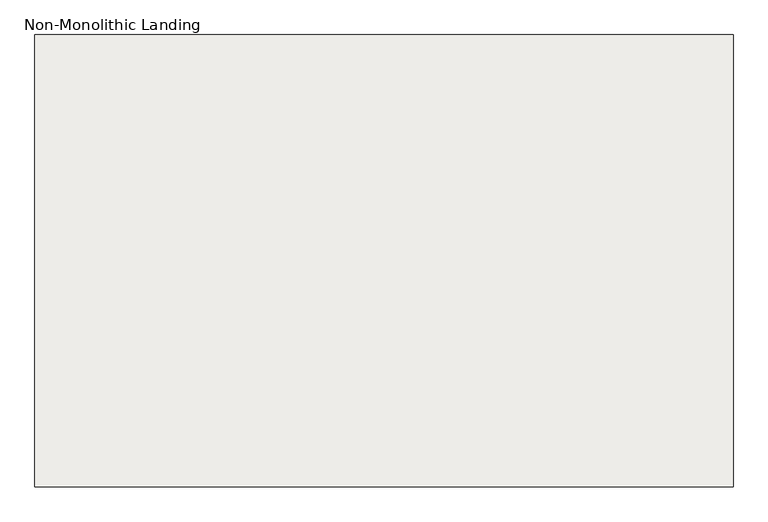
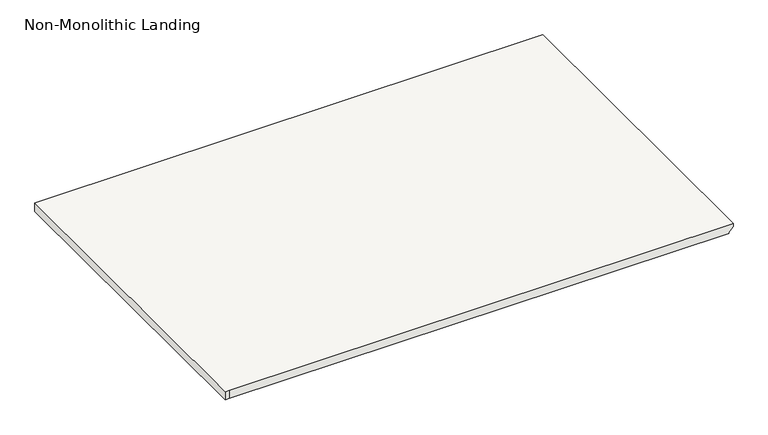
"""IFC4 building model written with IfcOpenShell, lengths in millimetres: slab geometry, Non-Monolithic Landing."""

from ifc_helpers import new_model, si_unit, origin, place, context, project, spatial, faceted_brep, source, transform, mapped, element, save


def non_monolithic_landing_ad4a303c(model_context):
    return source(origin(), model_context, "Body", "Brep", [
        faceted_brep([(30700.3073009, -16542.8558393, -9783.8012195), (30700.3073009, -16542.8558393, -9764.7512195), (30700.3073009, -18422.4558393, -9764.7512195), (30700.3073009, -18422.4558393, -9783.8012195), (30674.9073009, -16542.8558393, -9809.2012195), (30674.9073009, -18422.4558393, -9809.2012195), (27825.8485809, -16542.8558393, -9764.7512195), (27800.4485809, -16542.8558393, -9764.7512195), (27800.4485809, -18422.4558393, -9764.7512195), (27825.8485809, -18422.4558393, -9764.7512195), (30674.9073009, -16542.8558393, -9815.5512195), (30674.9073009, -18422.4558393, -9815.5512195), (27825.8485809, -18422.4558393, -9815.5512195), (27800.4485809, -18422.4558393, -9815.5512195), (27800.4485809, -16542.8558393, -9815.5512195), (27825.8485809, -16542.8558393, -9815.5512195)], [[[0, 1, 2, 3]], [[4, 0, 3, 5]], [[6, 7, 8, 9, 2, 1]], [[10, 11, 12, 13, 14, 15]], [[11, 10, 4, 5]], [[6, 1, 0, 4, 10, 15]], [[7, 6, 15, 14]], [[8, 7, 14, 13]], [[9, 8, 13, 12]], [[2, 9, 12, 11, 5, 3]]]),
    ])


if __name__ == "__main__":
    model = new_model("IFC4")
    model_context = context("Model", 3, world=origin())
    ifc_project = project(units=[si_unit("LENGTHUNIT", "METRE", prefix="MILLI")], contexts=[model_context])
    site = spatial("IfcSite", under=ifc_project)
    building = spatial("IfcBuilding", under=site)
    placement = place(None, origin())
    non_monolithic_landing_shape = non_monolithic_landing_ad4a303c(model_context)
    element("IfcSlab", 1, ObjectType="Non-Monolithic Landing", at=placement, inside=building, context=model_context, shape_type="MappedRepresentation", body=[
        mapped(non_monolithic_landing_shape, transform((0.0, 0.0, 0.0), x_axis=(1.0, 0.0, 0.0), y_axis=(0.0, 1.0, 0.0), z_axis=(0.0, 0.0, 1.0))),
    ])
    save(model, "model.ifc")
